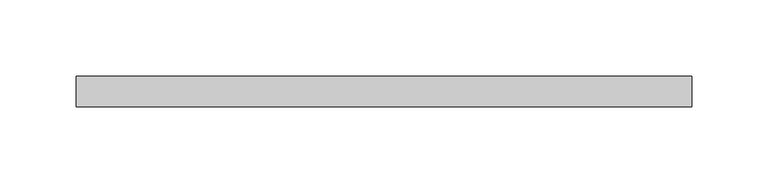
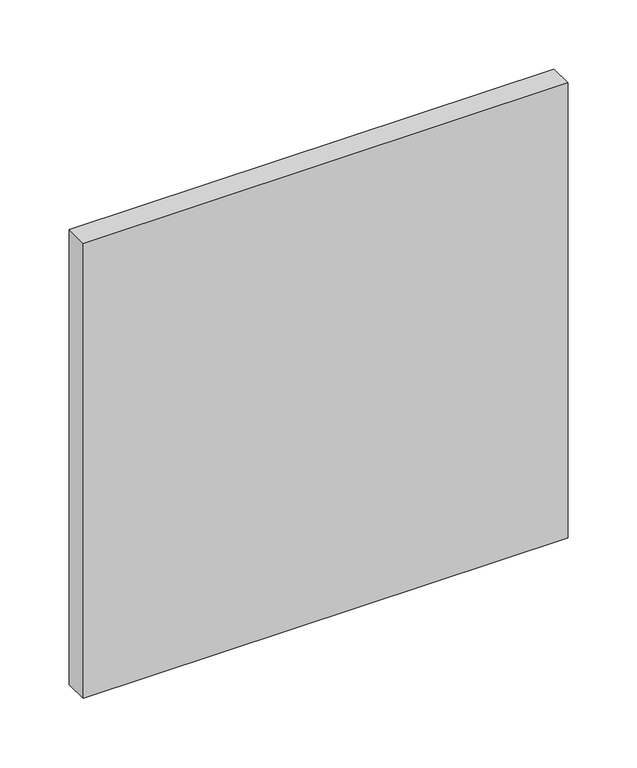
"""IFC4 building model written with IfcOpenShell, lengths in millimetres: plate geometry."""

from ifc_helpers import new_model, si_unit, frame, origin, place, context, project, spatial, polyline, outline, extrude, source, transform, mapped, element, save


def plate_c74ae9a9(model_context):
    return source(origin(), model_context, "Body", "SweptSolid", [
        extrude(outline(polyline([(0.0, -202.3913043), (0.0, 202.3913043), (274.9746456, 202.3913043), (401.6624409, 202.3913043), (401.6624409, -202.3913043), (0.0, -202.3913043)])), frame((0.0, 70.0, 0.0), z_axis=(0.0, 1.0, 0.0), x_axis=(0.0, 0.0, 1.0)), (0.0, 0.0, 1.0), 20.0),
    ])


if __name__ == "__main__":
    model = new_model("IFC4")
    model_context = context("Model", 3, world=origin())
    ifc_project = project(units=[si_unit("LENGTHUNIT", "METRE", prefix="MILLI")], contexts=[model_context])
    site = spatial("IfcSite", under=ifc_project)
    building = spatial("IfcBuilding", under=site)
    placement = place(None, origin())
    plate_shape = plate_c74ae9a9(model_context)
    element("IfcPlate", 1, at=placement, inside=building, context=model_context, shape_type="MappedRepresentation", body=[
        mapped(plate_shape, transform((0.0, 0.0, 0.0), x_axis=(1.0, 0.0, 0.0), y_axis=(0.0, 1.0, 0.0), z_axis=(0.0, 0.0, 1.0))),
    ])
    save(model, "model.ifc")
